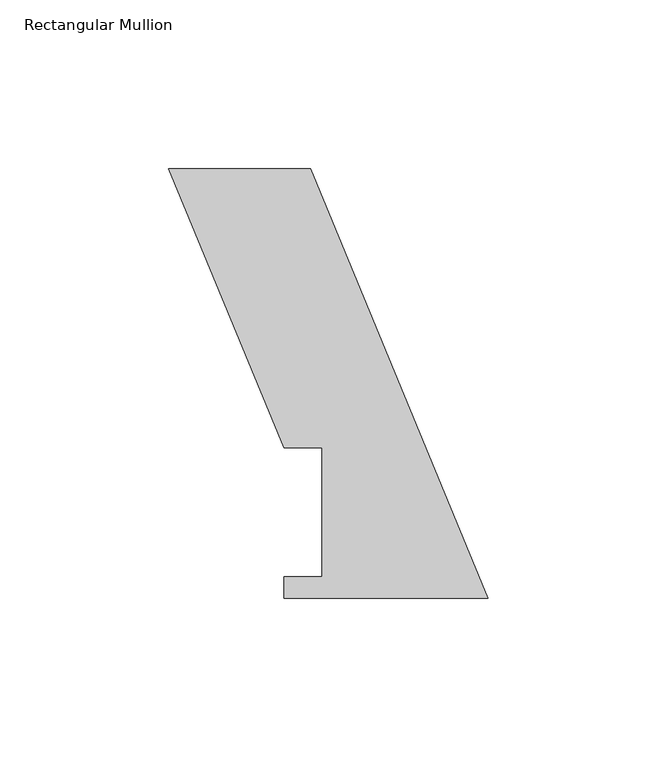
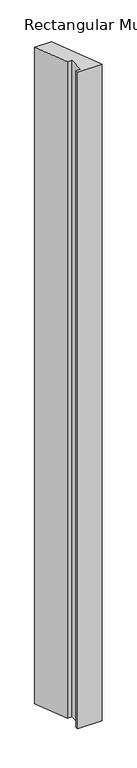
"""IFC4 building model written with IfcOpenShell, lengths in millimetres: member geometry, Rectangular Mullion."""

from ifc_helpers import new_model, si_unit, frame, origin, place, context, project, spatial, polyline, outline, extrude, source, transform, mapped, element, save


def rectangular_mullion_eaf36909(model_context):
    return source(origin(), model_context, "Body", "SweptSolid", [
        extrude(outline(polyline([(-94.5183296, 127.0), (-52.6051224, 127.0), (0.0, 0.0), (-60.325, 0.0), (-60.325, 6.35), (-49.2125, 6.35), (-49.2125, 44.45), (-60.325, 44.45), (-94.5183296, 127.0)])), frame((0.0, 0.0, -1733.55), z_axis=(0.0, 0.0, 1.0), x_axis=(1.0, 0.0, 0.0)), (0.0, 0.0, 1.0), 1733.55),
    ])


if __name__ == "__main__":
    model = new_model("IFC4")
    model_context = context("Model", 3, world=origin())
    ifc_project = project(units=[si_unit("LENGTHUNIT", "METRE", prefix="MILLI")], contexts=[model_context])
    site = spatial("IfcSite", under=ifc_project)
    building = spatial("IfcBuilding", under=site)
    placement = place(None, origin())
    rectangular_mullion_shape = rectangular_mullion_eaf36909(model_context)
    element("IfcMember", 1, ObjectType="Rectangular Mullion", at=placement, inside=building, context=model_context, shape_type="MappedRepresentation", body=[
        mapped(rectangular_mullion_shape, transform((0.0, 0.0, 0.0), x_axis=(1.0, 0.0, 0.0), y_axis=(0.0, 1.0, 0.0), z_axis=(0.0, 0.0, 1.0))),
    ])
    save(model, "model.ifc")
